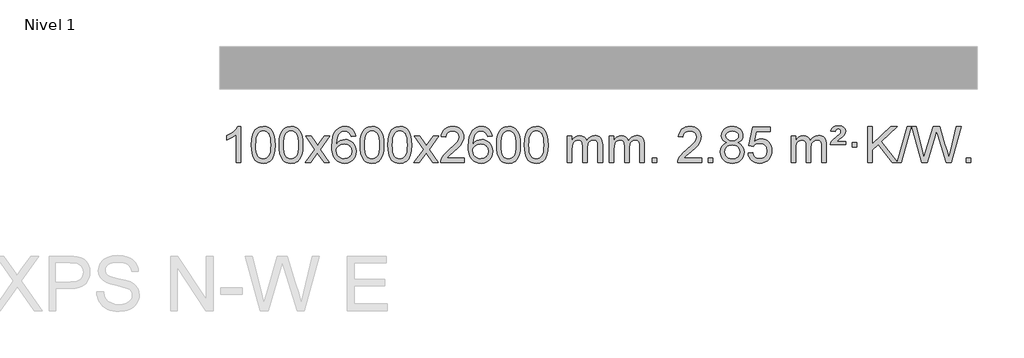
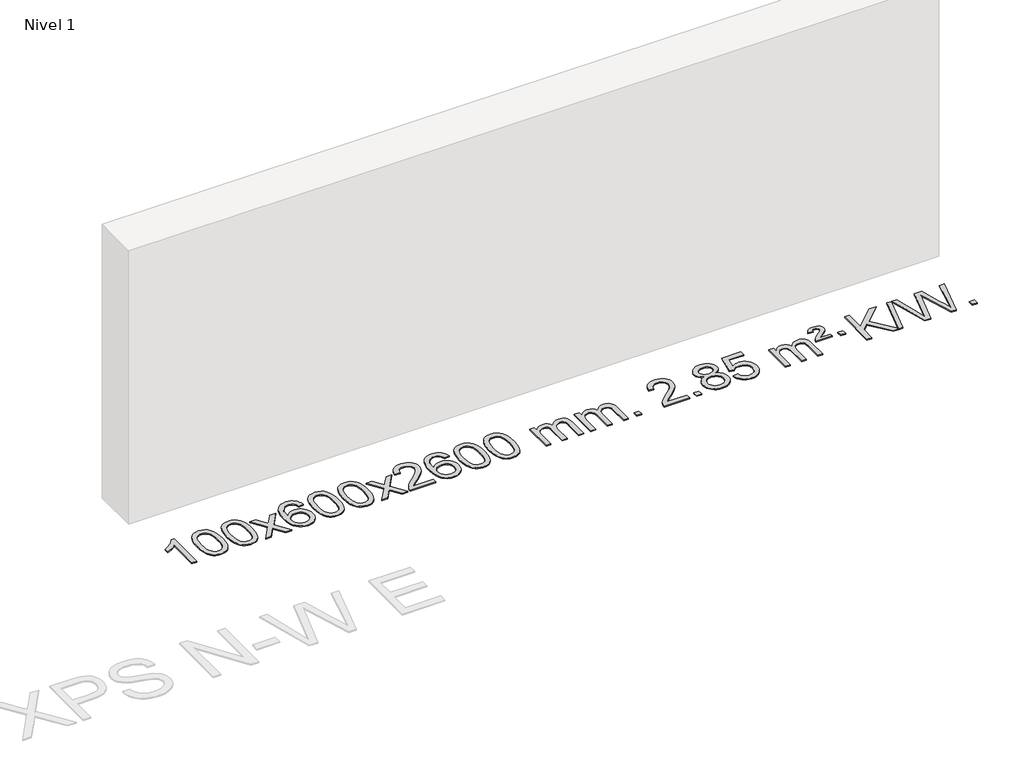
# One storey, part 4 of 8: 1 proxy.
"""IFC4 building model written with IfcOpenShell, lengths in millimetres."""

from ifc_helpers import new_model, si_unit, origin, origin_with_axes, place, context, project, spatial, polyline, outline, extrude, element, save

model = new_model("IFC4")

# Units and contexts
model_context = context("Model", 3, world=origin())
ifc_project = project(units=[si_unit("LENGTHUNIT", "METRE", prefix="MILLI")], contexts=[model_context])

# Site, building, storey
site = spatial("IfcSite", under=ifc_project)
building = spatial("IfcBuilding", under=site)
storey = spatial("IfcBuildingStorey", under=building, Name="Nivel 1", Elevation=0.0)

# Proxy
placement = place(None, origin())
element("IfcBuildingElementProxy", 1, Name="Texto de modelo 1", ObjectType="Texto de modelo 1", at=placement, inside=storey, context=model_context, shape_type="SweptSolid", body=[
    extrude(outline(polyline([(-13245.4422492, -419.6168569), (-13295.6704043, -419.6168569), (-13295.6704043, -106.4757026), (-13316.639678, -123.4350626), (-13343.249809, -140.3698971), (-13396.1267145, -165.7292293), (-13396.1267145, -118.2479264), (-13356.6775018, -96.7881434), (-13322.5012645, -71.2571329), (-13295.5600397, -44.1074417), (-13277.8158648, -17.7916163), (-13245.4422492, -17.7916163), (-13245.4422492, -419.6168569)])), origin_with_axes(), (0.0, 0.0, 1.0), 10.0),
    extrude(outline(polyline([(-13126.1503809, -221.9415981), (-13122.4592982, -157.6235626), (-13111.3860502, -106.3285498), (-13093.0410014, -67.2717446), (-13081.1829384, -52.0383643), (-13067.5345164, -39.6683323), (-13052.0497501, -30.097269), (-13034.6826542, -23.2607953), (-12994.3014739, -17.7916163), (-12963.3503353, -21.0289778), (-12935.6365584, -30.7410625), (-12912.4599927, -46.5477256), (-12895.120488, -68.0688223), (-12882.0238889, -95.1204117), (-12871.5760403, -127.5185527), (-12864.7334352, -168.6600225), (-12862.4525668, -221.9415981), (-12866.1068613, -285.8917516), (-12877.0697447, -337.0641372), (-12895.304429, -376.1577305), (-12907.1349008, -391.437096), (-12920.7741258, -403.8715075), (-12936.2772862, -413.5069501), (-12953.6995643, -420.3894091), (-12994.3014739, -425.8953763), (-13021.9661999, -423.5041433), (-13046.4916662, -416.3304444), (-13067.8778729, -404.3742795), (-13086.1248199, -387.6356488), (-13103.6360028, -357.3773547), (-13116.1439907, -319.6755815), (-13123.6487834, -274.5303293), (-13126.1503809, -221.9415981)]), holes=[polyline([(-13075.9222259, -221.8434963), (-13074.4506979, -265.5080234), (-13070.0361139, -300.8522861), (-13062.678474, -327.8762843), (-13052.3777782, -346.5800181), (-13039.9188413, -359.3056694), (-13026.0864782, -368.3954204), (-13010.8806891, -373.849271), (-12994.3014739, -375.6672212), (-12977.7222586, -373.8431396), (-12962.5164695, -368.3708949), (-12948.6841065, -359.2504871), (-12936.2251696, -346.4819162), (-12925.9244737, -327.7475256), (-12918.5668338, -300.7296588), (-12914.1522498, -265.4283156), (-12912.6807219, -221.8434963), (-12914.1031989, -179.3347317), (-12918.3706301, -144.6128027), (-12925.4830153, -117.6777093), (-12935.4403546, -98.5294515), (-12947.6908251, -85.1814664), (-12961.6826036, -75.6471914), (-12977.4156903, -69.9266264), (-12994.8900851, -68.0197713), (-13011.3834612, -69.6997658), (-13026.3317329, -74.7397491), (-13039.7349003, -83.1397213), (-13051.5929632, -94.8996825), (-13062.2370156, -115.7463289), (-13069.8399102, -143.8525133), (-13074.4016469, -179.2182358), (-13075.9222259, -221.8434963)])]), origin_with_axes(), (0.0, 0.0, 1.0), 10.0),
    extrude(outline(polyline([(-12818.5029311, -221.9415981), (-12814.8118484, -157.6235626), (-12803.7386004, -106.3285498), (-12785.3935515, -67.2717446), (-12773.5354886, -52.0383643), (-12759.8870665, -39.6683323), (-12744.4023002, -30.097269), (-12727.0352044, -23.2607953), (-12686.654024, -17.7916163), (-12655.7028855, -21.0289778), (-12627.9891085, -30.7410625), (-12604.8125428, -46.5477256), (-12587.4730381, -68.0688223), (-12574.3764391, -95.1204117), (-12563.9285904, -127.5185527), (-12557.0859853, -168.6600225), (-12554.805117, -221.9415981), (-12558.4594114, -285.8917516), (-12569.4222949, -337.0641372), (-12587.6569791, -376.1577305), (-12599.487451, -391.437096), (-12613.1266759, -403.8715075), (-12628.6298363, -413.5069501), (-12646.0521145, -420.3894091), (-12686.654024, -425.8953763), (-12714.3187501, -423.5041433), (-12738.8442164, -416.3304444), (-12760.2304231, -404.3742795), (-12778.47737, -387.6356488), (-12795.988553, -357.3773547), (-12808.4965408, -319.6755815), (-12816.0013335, -274.5303293), (-12818.5029311, -221.9415981)]), holes=[polyline([(-12768.274776, -221.8434963), (-12766.803248, -265.5080234), (-12762.3886641, -300.8522861), (-12755.0310242, -327.8762843), (-12744.7303283, -346.5800181), (-12732.2713914, -359.3056694), (-12718.4390284, -368.3954204), (-12703.2332393, -373.849271), (-12686.654024, -375.6672212), (-12670.0748088, -373.8431396), (-12654.8690196, -368.3708949), (-12641.0366566, -359.2504871), (-12628.5777197, -346.4819162), (-12618.2770239, -327.7475256), (-12610.919384, -300.7296588), (-12606.5048, -265.4283156), (-12605.033272, -221.8434963), (-12606.4557491, -179.3347317), (-12610.7231802, -144.6128027), (-12617.8355655, -117.6777093), (-12627.7929048, -98.5294515), (-12640.0433752, -85.1814664), (-12654.0351538, -75.6471914), (-12669.7682404, -69.9266264), (-12687.2426352, -68.0197713), (-12703.7360113, -69.6997658), (-12718.6842831, -74.7397491), (-12732.0874504, -83.1397213), (-12743.9455134, -94.8996825), (-12754.5895658, -115.7463289), (-12762.1924604, -143.8525133), (-12766.7541971, -179.2182358), (-12768.274776, -221.8434963)])]), origin_with_axes(), (0.0, 0.0, 1.0), 10.0),
    extrude(outline(polyline([(-12529.6910394, -419.6168569), (-12422.3675987, -271.2868364), (-12523.41252, -124.5264458), (-12462.981771, -124.5264458), (-12414.2251439, -195.1597889), (-12391.4655111, -228.5144231), (-12371.7470362, -201.2421045), (-12316.2213804, -124.5264458), (-12255.7906313, -124.5264458), (-12361.9368496, -271.2868364), (-12259.7147059, -419.6168569), (-12320.145455, -419.6168569), (-12381.6553246, -330.4422612), (-12392.9370391, -314.1573516), (-12469.2602903, -419.6168569), (-12529.6910394, -419.6168569)])), origin_with_axes(), (0.0, 0.0, 1.0), 10.0),
    extrude(outline(polyline([(-11970.9028142, -124.5264458), (-12021.1309693, -130.8049652), (-12029.2243732, -105.9116168), (-12040.1627312, -88.9154687), (-12062.9468894, -73.2436957), (-12090.4889881, -68.0197713), (-12113.8372321, -71.0609292), (-12135.8120499, -80.1844027), (-12154.6843963, -99.4001055), (-12170.0986519, -125.850821), (-12180.5097123, -163.2644199), (-12184.3724733, -215.3687731), (-12164.2248027, -191.8611137), (-12140.0794811, -175.2941611), (-12113.2854091, -165.4717119), (-12085.1914874, -162.1975621), (-12061.0584285, -164.4355109), (-12038.7893051, -171.1493573), (-12018.3841171, -182.3391013), (-11999.8428645, -198.004743), (-11984.4347403, -217.2143145), (-11973.4289372, -239.0358482), (-11966.8254554, -263.469344), (-11964.6242948, -290.514802), (-11968.7690986, -326.4813984), (-11981.2035101, -359.8237699), (-12000.8974596, -388.1016326), (-12026.8208775, -408.8747026), (-12057.7965415, -421.6402078), (-12092.6472291, -425.8953763), (-12122.5897579, -423.0749476), (-12149.6321502, -414.6136617), (-12173.7744061, -400.5115186), (-12195.0165257, -380.7685182), (-12212.3345706, -354.5507947), (-12224.7046027, -321.0244822), (-12232.1266219, -280.1895807), (-12234.6006284, -232.0460903), (-12231.8537761, -178.0716702), (-12223.6132194, -132.006713), (-12209.8789583, -93.8512188), (-12190.6509927, -63.6051874), (-12169.8104776, -43.56175), (-12145.6467619, -29.2450091), (-12118.1598455, -20.6549645), (-12087.3497284, -17.7916163), (-12064.2160823, -19.5635812), (-12043.2774654, -24.879476), (-12024.5338777, -33.7393008), (-12007.9853193, -46.1430554), (-11994.0793799, -61.6738069), (-11983.2636492, -79.9146225), (-11975.5381274, -100.8655021), (-11970.9028142, -124.5264458)]), holes=[polyline([(-12184.3724733, -289.7299871), (-12181.4662055, -311.9868478), (-12172.7474022, -333.2381644), (-12159.2093448, -351.5096368), (-12141.8453146, -364.8269651), (-12120.8883036, -372.9571571), (-12096.5713038, -375.6672212), (-12063.425136, -370.0508894), (-12049.5099995, -363.0304746), (-12037.366828, -353.201894), (-12027.5167876, -340.9636863), (-12020.4810444, -326.7143904), (-12014.8524499, -292.1825337), (-12020.407468, -259.036366), (-12027.3512407, -245.4155351), (-12037.0725224, -233.7628729), (-12049.2524821, -224.4278673), (-12063.5722888, -217.7600061), (-12098.6314429, -212.4257172), (-12131.7285598, -217.7600061), (-12159.4055485, -233.7628729), (-12170.3285781, -245.2622509), (-12178.1307421, -258.4232293), (-12182.8120405, -273.245808), (-12184.3724733, -289.7299871)])]), origin_with_axes(), (0.0, 0.0, 1.0), 10.0),
    extrude(outline(polyline([(-11920.6746591, -221.9415981), (-11916.9835765, -157.6235626), (-11905.9103284, -106.3285498), (-11887.5652796, -67.2717446), (-11875.7072166, -52.0383643), (-11862.0587946, -39.6683323), (-11846.5740283, -30.097269), (-11829.2069324, -23.2607953), (-11788.8257521, -17.7916163), (-11757.8746135, -21.0289778), (-11730.1608366, -30.7410625), (-11706.9842709, -46.5477256), (-11689.6447662, -68.0688223), (-11676.5481671, -95.1204117), (-11666.1003185, -127.5185527), (-11659.2577134, -168.6600225), (-11656.976845, -221.9415981), (-11660.6311395, -285.8917516), (-11671.5940229, -337.0641372), (-11689.8287072, -376.1577305), (-11701.659179, -391.437096), (-11715.298404, -403.8715075), (-11730.8015644, -413.5069501), (-11748.2238425, -420.3894091), (-11788.8257521, -425.8953763), (-11816.4904781, -423.5041433), (-11841.0159444, -416.3304444), (-11862.4021511, -404.3742795), (-11880.6490981, -387.6356488), (-11898.160281, -357.3773547), (-11910.6682689, -319.6755815), (-11918.1730616, -274.5303293), (-11920.6746591, -221.9415981)]), holes=[polyline([(-11870.4465041, -221.8434963), (-11868.9749761, -265.5080234), (-11864.5603921, -300.8522861), (-11857.2027522, -327.8762843), (-11846.9020564, -346.5800181), (-11834.4431195, -359.3056694), (-11820.6107564, -368.3954204), (-11805.4049673, -373.849271), (-11788.8257521, -375.6672212), (-11772.2465368, -373.8431396), (-11757.0407477, -368.3708949), (-11743.2083847, -359.2504871), (-11730.7494478, -346.4819162), (-11720.4487519, -327.7475256), (-11713.091112, -300.7296588), (-11708.676528, -265.4283156), (-11707.2050001, -221.8434963), (-11708.6274771, -179.3347317), (-11712.8949083, -144.6128027), (-11720.0072935, -117.6777093), (-11729.9646328, -98.5294515), (-11742.2151033, -85.1814664), (-11756.2068818, -75.6471914), (-11771.9399685, -69.9266264), (-11789.4143633, -68.0197713), (-11805.9077394, -69.6997658), (-11820.8560111, -74.7397491), (-11834.2591785, -83.1397213), (-11846.1172414, -94.8996825), (-11856.7612938, -115.7463289), (-11864.3641884, -143.8525133), (-11868.9259251, -179.2182358), (-11870.4465041, -221.8434963)])]), origin_with_axes(), (0.0, 0.0, 1.0), 10.0),
    extrude(outline(polyline([(-11613.0272093, -221.9415981), (-11609.3361266, -157.6235626), (-11598.2628786, -106.3285498), (-11579.9178297, -67.2717446), (-11568.0597668, -52.0383643), (-11554.4113447, -39.6683323), (-11538.9265784, -30.097269), (-11521.5594826, -23.2607953), (-11481.1783022, -17.7916163), (-11450.2271637, -21.0289778), (-11422.5133867, -30.7410625), (-11399.336821, -46.5477256), (-11381.9973163, -68.0688223), (-11368.9007173, -95.1204117), (-11358.4528686, -127.5185527), (-11351.6102635, -168.6600225), (-11349.3293952, -221.9415981), (-11352.9836896, -285.8917516), (-11363.9465731, -337.0641372), (-11382.1812573, -376.1577305), (-11394.0117292, -391.437096), (-11407.6509541, -403.8715075), (-11423.1541145, -413.5069501), (-11440.5763927, -420.3894091), (-11481.1783022, -425.8953763), (-11508.8430283, -423.5041433), (-11533.3684946, -416.3304444), (-11554.7547013, -404.3742795), (-11573.0016482, -387.6356488), (-11590.5128312, -357.3773547), (-11603.020819, -319.6755815), (-11610.5256117, -274.5303293), (-11613.0272093, -221.9415981)]), holes=[polyline([(-11562.7990542, -221.8434963), (-11561.3275262, -265.5080234), (-11556.9129423, -300.8522861), (-11549.5553024, -327.8762843), (-11539.2546065, -346.5800181), (-11526.7956696, -359.3056694), (-11512.9633066, -368.3954204), (-11497.7575175, -373.849271), (-11481.1783022, -375.6672212), (-11464.599087, -373.8431396), (-11449.3932978, -368.3708949), (-11435.5609348, -359.2504871), (-11423.1019979, -346.4819162), (-11412.8013021, -327.7475256), (-11405.4436622, -300.7296588), (-11401.0290782, -265.4283156), (-11399.5575502, -221.8434963), (-11400.9800273, -179.3347317), (-11405.2474584, -144.6128027), (-11412.3598437, -117.6777093), (-11422.317183, -98.5294515), (-11434.5676534, -85.1814664), (-11448.559432, -75.6471914), (-11464.2925187, -69.9266264), (-11481.7669134, -68.0197713), (-11498.2602895, -69.6997658), (-11513.2085613, -74.7397491), (-11526.6117286, -83.1397213), (-11538.4697916, -94.8996825), (-11549.113844, -115.7463289), (-11556.7167386, -143.8525133), (-11561.2784753, -179.2182358), (-11562.7990542, -221.8434963)])]), origin_with_axes(), (0.0, 0.0, 1.0), 10.0),
    extrude(outline(polyline([(-11324.2153176, -419.6168569), (-11216.8918769, -271.2868364), (-11317.9367982, -124.5264458), (-11257.5060492, -124.5264458), (-11208.7494221, -195.1597889), (-11185.9897893, -228.5144231), (-11166.2713144, -201.2421045), (-11110.7456586, -124.5264458), (-11050.3149095, -124.5264458), (-11156.4611278, -271.2868364), (-11054.2389841, -419.6168569), (-11114.6697332, -419.6168569), (-11176.1796028, -330.4422612), (-11187.4613173, -314.1573516), (-11263.7845685, -419.6168569), (-11324.2153176, -419.6168569)])), origin_with_axes(), (0.0, 0.0, 1.0), 10.0),
    extrude(outline(polyline([(-10765.4270924, -369.3887018), (-10765.4270924, -419.6168569), (-11029.1249066, -419.6168569), (-11028.0212606, -401.9339956), (-11023.729304, -384.9868984), (-11011.3439435, -357.9230463), (-10993.2196238, -331.6685346), (-10967.0019003, -304.1877495), (-10930.3363281, -273.4450775), (-10876.1350475, -225.301587), (-10843.6142791, -189.7641863), (-10827.3538949, -160.9222379), (-10821.9337669, -132.8651044), (-10827.0473266, -107.7142386), (-10842.3880058, -86.8062786), (-10865.9692417, -72.7163982), (-10895.8044715, -68.0197713), (-10927.1357548, -72.6060336), (-10951.4772801, -86.3648202), (-10967.1858413, -108.2170107), (-10972.6182321, -137.0834846), (-11022.8463872, -130.8049652), (-11018.5268394, -104.8754159), (-11010.6694931, -82.2200164), (-10999.2743483, -62.8387666), (-10984.341405, -46.7316666), (-10966.2140197, -34.0703946), (-10945.2355489, -25.0266288), (-10921.4059927, -19.6003694), (-10894.725351, -17.7916163), (-10867.805586, -19.8027045), (-10843.8472711, -25.8359692), (-10822.8504062, -35.8914104), (-10804.8149914, -49.9690281), (-10790.3296378, -67.02649), (-10779.9829567, -86.0214636), (-10773.774948, -106.9539492), (-10771.7056118, -129.8239465), (-10773.9374292, -153.8466408), (-10780.6328815, -177.4524022), (-10792.51547, -201.4628337), (-10810.3086958, -226.6995386), (-10838.6723977, -256.829074), (-10882.2664141, -295.5179972), (-10940.0484128, -343.8331659), (-10962.7099437, -369.3887018), (-10765.4270924, -369.3887018)])), origin_with_axes(), (0.0, 0.0, 1.0), 10.0),
    extrude(outline(polyline([(-10457.7796426, -124.5264458), (-10508.0077977, -130.8049652), (-10516.1012016, -105.9116168), (-10527.0395595, -88.9154687), (-10549.8237178, -73.2436957), (-10577.3658165, -68.0197713), (-10600.7140604, -71.0609292), (-10622.6888783, -80.1844027), (-10641.5612246, -99.4001055), (-10656.9754802, -125.850821), (-10667.3865407, -163.2644199), (-10671.2493017, -215.3687731), (-10651.101631, -191.8611137), (-10626.9563094, -175.2941611), (-10600.1622374, -165.4717119), (-10572.0683158, -162.1975621), (-10547.9352569, -164.4355109), (-10525.6661334, -171.1493573), (-10505.2609454, -182.3391013), (-10486.7196929, -198.004743), (-10471.3115686, -217.2143145), (-10460.3057656, -239.0358482), (-10453.7022838, -263.469344), (-10451.5011232, -290.514802), (-10455.645927, -326.4813984), (-10468.0803384, -359.8237699), (-10487.7742879, -388.1016326), (-10513.6977058, -408.8747026), (-10544.6733698, -421.6402078), (-10579.5240575, -425.8953763), (-10609.4665862, -423.0749476), (-10636.5089786, -414.6136617), (-10660.6512345, -400.5115186), (-10681.893354, -380.7685182), (-10699.211399, -354.5507947), (-10711.5814311, -321.0244822), (-10719.0034503, -280.1895807), (-10721.4774567, -232.0460903), (-10718.7306045, -178.0716702), (-10710.4900478, -132.006713), (-10696.7557866, -93.8512188), (-10677.527821, -63.6051874), (-10656.687306, -43.56175), (-10632.5235903, -29.2450091), (-10605.0366739, -20.6549645), (-10574.2265568, -17.7916163), (-10551.0929107, -19.5635812), (-10530.1542938, -24.879476), (-10511.4107061, -33.7393008), (-10494.8621477, -46.1430554), (-10480.9562083, -61.6738069), (-10470.1404776, -79.9146225), (-10462.4149557, -100.8655021), (-10457.7796426, -124.5264458)]), holes=[polyline([(-10671.2493017, -289.7299871), (-10668.3430339, -311.9868478), (-10659.6242306, -333.2381644), (-10646.0861732, -351.5096368), (-10628.722143, -364.8269651), (-10607.765132, -372.9571571), (-10583.4481321, -375.6672212), (-10550.3019644, -370.0508894), (-10536.3868279, -363.0304746), (-10524.2436564, -353.201894), (-10514.393616, -340.9636863), (-10507.3578728, -326.7143904), (-10501.7292783, -292.1825337), (-10507.2842964, -259.036366), (-10514.2280691, -245.4155351), (-10523.9493508, -233.7628729), (-10536.1293105, -224.4278673), (-10550.4491172, -217.7600061), (-10585.5082713, -212.4257172), (-10618.6053881, -217.7600061), (-10646.2823769, -233.7628729), (-10657.2054065, -245.2622509), (-10665.0075705, -258.4232293), (-10669.6888689, -273.245808), (-10671.2493017, -289.7299871)])]), origin_with_axes(), (0.0, 0.0, 1.0), 10.0),
    extrude(outline(polyline([(-10407.5514875, -221.9415981), (-10403.8604048, -157.6235626), (-10392.7871568, -106.3285498), (-10374.4421079, -67.2717446), (-10362.584045, -52.0383643), (-10348.9356229, -39.6683323), (-10333.4508566, -30.097269), (-10316.0837608, -23.2607953), (-10275.7025804, -17.7916163), (-10244.7514419, -21.0289778), (-10217.0376649, -30.7410625), (-10193.8610992, -46.5477256), (-10176.5215945, -68.0688223), (-10163.4249955, -95.1204117), (-10152.9771468, -127.5185527), (-10146.1345417, -168.6600225), (-10143.8536734, -221.9415981), (-10147.5079679, -285.8917516), (-10158.4708513, -337.0641372), (-10176.7055355, -376.1577305), (-10188.5360074, -391.437096), (-10202.1752323, -403.8715075), (-10217.6783927, -413.5069501), (-10235.1006709, -420.3894091), (-10275.7025804, -425.8953763), (-10303.3673065, -423.5041433), (-10327.8927728, -416.3304444), (-10349.2789795, -404.3742795), (-10367.5259264, -387.6356488), (-10385.0371094, -357.3773547), (-10397.5450972, -319.6755815), (-10405.0498899, -274.5303293), (-10407.5514875, -221.9415981)]), holes=[polyline([(-10357.3233324, -221.8434963), (-10355.8518045, -265.5080234), (-10351.4372205, -300.8522861), (-10344.0795806, -327.8762843), (-10333.7788847, -346.5800181), (-10321.3199478, -359.3056694), (-10307.4875848, -368.3954204), (-10292.2817957, -373.849271), (-10275.7025804, -375.6672212), (-10259.1233652, -373.8431396), (-10243.9175761, -368.3708949), (-10230.085213, -359.2504871), (-10217.6262761, -346.4819162), (-10207.3255803, -327.7475256), (-10199.9679404, -300.7296588), (-10195.5533564, -265.4283156), (-10194.0818284, -221.8434963), (-10195.5043055, -179.3347317), (-10199.7717366, -144.6128027), (-10206.8841219, -117.6777093), (-10216.8414612, -98.5294515), (-10229.0919316, -85.1814664), (-10243.0837102, -75.6471914), (-10258.8167969, -69.9266264), (-10276.2911916, -68.0197713), (-10292.7845677, -69.6997658), (-10307.7328395, -74.7397491), (-10321.1360068, -83.1397213), (-10332.9940698, -94.8996825), (-10343.6381222, -115.7463289), (-10351.2410168, -143.8525133), (-10355.8027535, -179.2182358), (-10357.3233324, -221.8434963)])]), origin_with_axes(), (0.0, 0.0, 1.0), 10.0),
    extrude(outline(polyline([(-10099.9040377, -221.9415981), (-10096.212955, -157.6235626), (-10085.1397069, -106.3285498), (-10066.7946581, -67.2717446), (-10054.9365951, -52.0383643), (-10041.2881731, -39.6683323), (-10025.8034068, -30.097269), (-10008.4363109, -23.2607953), (-9968.0551306, -17.7916163), (-9937.1039921, -21.0289778), (-9909.3902151, -30.7410625), (-9886.2136494, -46.5477256), (-9868.8741447, -68.0688223), (-9855.7775457, -95.1204117), (-9845.329697, -127.5185527), (-9838.4870919, -168.6600225), (-9836.2062235, -221.9415981), (-9839.860518, -285.8917516), (-9850.8234015, -337.0641372), (-9869.0580857, -376.1577305), (-9880.8885575, -391.437096), (-9894.5277825, -403.8715075), (-9910.0309429, -413.5069501), (-9927.4532211, -420.3894091), (-9968.0551306, -425.8953763), (-9995.7198566, -423.5041433), (-10020.245323, -416.3304444), (-10041.6315296, -404.3742795), (-10059.8784766, -387.6356488), (-10077.3896596, -357.3773547), (-10089.8976474, -319.6755815), (-10097.4024401, -274.5303293), (-10099.9040377, -221.9415981)]), holes=[polyline([(-10049.6758826, -221.8434963), (-10048.2043546, -265.5080234), (-10043.7897707, -300.8522861), (-10036.4321308, -327.8762843), (-10026.1314349, -346.5800181), (-10013.672498, -359.3056694), (-9999.840135, -368.3954204), (-9984.6343459, -373.849271), (-9968.0551306, -375.6672212), (-9951.4759154, -373.8431396), (-9936.2701262, -368.3708949), (-9922.4377632, -359.2504871), (-9909.9788263, -346.4819162), (-9899.6781304, -327.7475256), (-9892.3204905, -300.7296588), (-9887.9059066, -265.4283156), (-9886.4343786, -221.8434963), (-9887.8568557, -179.3347317), (-9892.1242868, -144.6128027), (-9899.236672, -117.6777093), (-9909.1940114, -98.5294515), (-9921.4444818, -85.1814664), (-9935.4362604, -75.6471914), (-9951.169347, -69.9266264), (-9968.6437418, -68.0197713), (-9985.1371179, -69.6997658), (-10000.0853897, -74.7397491), (-10013.488557, -83.1397213), (-10025.34662, -94.8996825), (-10035.9906724, -115.7463289), (-10043.5935669, -143.8525133), (-10048.1553037, -179.2182358), (-10049.6758826, -221.8434963)])]), origin_with_axes(), (0.0, 0.0, 1.0), 10.0),
    extrude(outline(polyline([(-9622.7365645, -419.6168569), (-9622.7365645, -124.5264458), (-9572.5084094, -124.5264458), (-9572.5084094, -173.0868692), (-9557.4007221, -150.7809575), (-9537.9765528, -133.3065628), (-9514.8980889, -122.0125855), (-9488.8275182, -118.2479264), (-9460.8930121, -122.0861619), (-9438.5012613, -133.6008684), (-9421.7748932, -152.0317563), (-9410.8365352, -176.6185363), (-9392.5282746, -151.0813945), (-9371.64484, -132.8405789), (-9348.1862315, -121.8960895), (-9322.1524489, -118.2479264), (-9302.0446322, -119.7654397), (-9284.3954935, -124.3179793), (-9269.2050328, -131.9055455), (-9256.4732501, -142.5281381), (-9246.4086118, -156.3083845), (-9239.2195845, -173.368912), (-9234.9061681, -193.7097207), (-9233.4683626, -217.3308105), (-9233.4683626, -419.6168569), (-9283.6965177, -419.6168569), (-9283.6965177, -238.9132208), (-9284.8614774, -213.860457), (-9288.3563563, -196.9746734), (-9294.9046558, -185.410916), (-9305.2298772, -176.3242307), (-9318.5104172, -170.4381188), (-9333.9246728, -168.4760815), (-9361.1356777, -173.5038021), (-9383.318962, -188.5869639), (-9391.924335, -200.1568526), (-9398.07103, -214.7556365), (-9402.988386, -253.0398895), (-9402.988386, -419.6168569), (-9453.2165411, -419.6168569), (-9453.2165411, -233.3214145), (-9456.1228088, -204.9209245), (-9464.8416121, -184.6628893), (-9480.1822913, -172.5227834), (-9502.9541868, -168.4760815), (-9522.3047798, -171.1738828), (-9540.1347938, -179.2672867), (-9554.8500736, -192.5600894), (-9564.8564639, -210.8560873), (-9570.595423, -236.239945), (-9572.5084094, -270.7963271), (-9572.5084094, -419.6168569), (-9622.7365645, -419.6168569)])), origin_with_axes(), (0.0, 0.0, 1.0), 10.0),
    extrude(outline(polyline([(-9158.12613, -419.6168569), (-9158.12613, -124.5264458), (-9107.8979749, -124.5264458), (-9107.8979749, -173.0868692), (-9092.7902877, -150.7809575), (-9073.3661183, -133.3065628), (-9050.2876545, -122.0125855), (-9024.2170838, -118.2479264), (-8996.2825776, -122.0861619), (-8973.8908268, -133.6008684), (-8957.1644588, -152.0317563), (-8946.2261008, -176.6185363), (-8927.9178402, -151.0813945), (-8907.0344056, -132.8405789), (-8883.575797, -121.8960895), (-8857.5420145, -118.2479264), (-8837.4341978, -119.7654397), (-8819.7850591, -124.3179793), (-8804.5945983, -131.9055455), (-8791.8628156, -142.5281381), (-8781.7981774, -156.3083845), (-8774.6091501, -173.368912), (-8770.2957337, -193.7097207), (-8768.8579282, -217.3308105), (-8768.8579282, -419.6168569), (-8819.0860833, -419.6168569), (-8819.0860833, -238.9132208), (-8820.2510429, -213.860457), (-8823.7459219, -196.9746734), (-8830.2942214, -185.410916), (-8840.6194427, -176.3242307), (-8853.8999827, -170.4381188), (-8869.3142383, -168.4760815), (-8896.5252433, -173.5038021), (-8918.7085276, -188.5869639), (-8927.3139006, -200.1568526), (-8933.4605956, -214.7556365), (-8938.3779516, -253.0398895), (-8938.3779516, -419.6168569), (-8988.6061066, -419.6168569), (-8988.6061066, -233.3214145), (-8991.5123744, -204.9209245), (-9000.2311777, -184.6628893), (-9015.5718569, -172.5227834), (-9038.3437524, -168.4760815), (-9057.6943453, -171.1738828), (-9075.5243594, -179.2672867), (-9090.2396392, -192.5600894), (-9100.2460294, -210.8560873), (-9105.9849886, -236.239945), (-9107.8979749, -270.7963271), (-9107.8979749, -419.6168569), (-9158.12613, -419.6168569)])), origin_with_axes(), (0.0, 0.0, 1.0), 10.0),
    extrude(outline(polyline([(-8680.9586568, -419.6168569), (-8680.9586568, -369.3887018), (-8630.7305017, -369.3887018), (-8630.7305017, -419.6168569), (-8680.9586568, -419.6168569)])), origin_with_axes(), (0.0, 0.0, 1.0), 10.0),
    extrude(outline(polyline([(-8134.7274704, -369.3887018), (-8134.7274704, -419.6168569), (-8398.4252845, -419.6168569), (-8397.3216385, -401.9339956), (-8393.0296819, -384.9868984), (-8380.6443214, -357.9230463), (-8362.5200018, -331.6685346), (-8336.3022783, -304.1877495), (-8299.6367061, -273.4450775), (-8245.4354255, -225.301587), (-8212.9146571, -189.7641863), (-8196.6542729, -160.9222379), (-8191.2341448, -132.8651044), (-8196.3477046, -107.7142386), (-8211.6883838, -86.8062786), (-8235.2696197, -72.7163982), (-8265.1048495, -68.0197713), (-8296.4361327, -72.6060336), (-8320.7776581, -86.3648202), (-8336.4862193, -108.2170107), (-8341.9186101, -137.0834846), (-8392.1467651, -130.8049652), (-8387.8272174, -104.8754159), (-8379.9698711, -82.2200164), (-8368.5747263, -62.8387666), (-8353.641783, -46.7316666), (-8335.5143977, -34.0703946), (-8314.5359269, -25.0266288), (-8290.7063706, -19.6003694), (-8264.0257289, -17.7916163), (-8237.1059639, -19.8027045), (-8213.147649, -25.8359692), (-8192.1507841, -35.8914104), (-8174.1153693, -49.9690281), (-8159.6300158, -67.02649), (-8149.2833346, -86.0214636), (-8143.075326, -106.9539492), (-8141.0059898, -129.8239465), (-8143.2378072, -153.8466408), (-8149.9332595, -177.4524022), (-8161.815848, -201.4628337), (-8179.6090738, -226.6995386), (-8207.9727756, -256.829074), (-8251.566792, -295.5179972), (-8309.3487908, -343.8331659), (-8332.0103217, -369.3887018), (-8134.7274704, -369.3887018)])), origin_with_axes(), (0.0, 0.0, 1.0), 10.0),
    extrude(outline(polyline([(-8059.3852378, -419.6168569), (-8059.3852378, -369.3887018), (-8009.1570827, -369.3887018), (-8009.1570827, -419.6168569), (-8059.3852378, -419.6168569)])), origin_with_axes(), (0.0, 0.0, 1.0), 10.0),
    extrude(outline(polyline([(-7854.3523391, -198.2990486), (-7881.244513, -185.0552967), (-7900.1168593, -167.1026554), (-7911.2636838, -144.8090065), (-7914.9792919, -118.542232), (-7912.9559409, -98.0573363), (-7906.885888, -79.2769604), (-7896.7691332, -62.2011045), (-7882.6056763, -46.8297684), (-7865.0760993, -34.1255769), (-7844.8609836, -25.0511543), (-7821.9603294, -19.6065008), (-7796.3741367, -17.7916163), (-7770.6653166, -19.6494203), (-7747.5929841, -25.2228326), (-7727.1571393, -34.511853), (-7709.3577821, -47.5164815), (-7694.9368079, -63.1882545), (-7684.636112, -80.4787082), (-7678.4556945, -99.3878428), (-7676.3955553, -119.9156581), (-7680.0621125, -145.336304), (-7691.0617842, -167.2498082), (-7709.5171976, -185.0920849), (-7735.5509801, -198.2990486), (-7704.6366298, -214.228339), (-7682.1345144, -237.6869475), (-7668.412516, -267.5467028), (-7663.8385165, -302.6794333), (-7666.1071222, -327.7321972), (-7672.9129391, -350.7002964), (-7684.2559673, -371.583731), (-7700.1362067, -390.382501), (-7719.7197916, -405.9193839), (-7742.1728561, -417.0171574), (-7767.4954001, -423.6758215), (-7795.6874236, -425.8953763), (-7823.8794472, -423.6666245), (-7849.2019912, -416.9803692), (-7871.6550556, -405.8366105), (-7891.2386405, -390.2353482), (-7907.11888, -371.3047539), (-7918.4619081, -350.1729989), (-7925.2677251, -326.8400834), (-7927.5363307, -301.3060072), (-7922.7783902, -264.8121133), (-7908.5045688, -234.7929425), (-7885.4506304, -212.2785644), (-7854.3523391, -198.2990486)]), holes=[polyline([(-7864.7511368, -120.01376), (-7860.2997647, -141.9395269), (-7846.9456483, -159.4507099), (-7825.081195, -170.9286281), (-7795.0988124, -174.7546009), (-7765.8154056, -170.9531536), (-7744.2820462, -159.5488117), (-7731.0382943, -142.62624), (-7726.6237104, -122.2701029), (-7731.1854471, -101.1414136), (-7744.8706574, -83.6670189), (-7766.6983224, -71.9315832), (-7795.6874236, -68.0197713), (-7824.8604658, -71.8457441), (-7846.6513427, -83.3236623), (-7860.2261883, -100.1481323), (-7864.7511368, -120.01376)]), polyline([(-7877.3081756, -299.5401736), (-7875.2112482, -318.7558765), (-7868.9204661, -337.3584427), (-7857.3076578, -353.5820387), (-7839.2446518, -365.6608309), (-7817.6131905, -373.1656236), (-7795.2950162, -375.6672212), (-7761.1065161, -370.4065086), (-7747.2128394, -363.830618), (-7735.4528783, -354.6243711), (-7719.4132233, -330.7243041), (-7714.0666716, -301.1098035), (-7719.5849015, -270.9925308), (-7736.1395913, -246.5651663), (-7748.2183835, -237.1228618), (-7762.3818403, -230.3783586), (-7796.9627479, -224.982756), (-7830.6730014, -230.3047822), (-7844.4103282, -236.9573149), (-7856.0691218, -246.2708607), (-7871.9984122, -270.2322414), (-7877.3081756, -299.5401736)])]), origin_with_axes(), (0.0, 0.0, 1.0), 10.0),
    extrude(outline(polyline([(-7619.8888809, -312.8820273), (-7569.6607258, -306.603508), (-7560.4391504, -336.7575688), (-7544.3504445, -358.3522419), (-7521.4681844, -371.3384764), (-7491.8659465, -375.6672212), (-7472.7360828, -374.1619707), (-7455.8625619, -369.6462192), (-7441.245384, -362.1199667), (-7428.884549, -351.5832132), (-7419.0559683, -338.5571249), (-7412.0355536, -323.5628679), (-7406.4192218, -287.6698479), (-7411.6799343, -253.8737553), (-7418.255825, -239.9555532), (-7427.4620719, -228.0239138), (-7439.3293319, -218.4528505), (-7453.8882619, -211.6163768), (-7491.0811316, -206.1471978), (-7515.4471824, -208.3299643), (-7535.1779201, -214.8782638), (-7550.9355322, -224.9091796), (-7563.3822064, -237.5397947), (-7613.6103615, -231.2612753), (-7569.6607258, -24.0701357), (-7375.0266249, -24.0701357), (-7375.0266249, -74.2982907), (-7529.0465535, -74.2982907), (-7550.530862, -184.9571949), (-7532.8050812, -172.2530033), (-7514.6501048, -163.1785808), (-7496.0659326, -157.7339272), (-7477.0525649, -155.9190427), (-7452.5914779, -158.1692543), (-7430.123085, -164.9198889), (-7409.6473863, -176.1709466), (-7391.1643817, -191.9224273), (-7375.8635564, -211.2117066), (-7364.9343955, -233.0761598), (-7358.3768989, -257.5157871), (-7356.1910667, -284.5305882), (-7358.1592354, -310.552108), (-7364.0637414, -334.7587433), (-7373.9045848, -357.1504941), (-7387.6817655, -377.7273604), (-7408.5529374, -398.8008673), (-7432.9067254, -413.8533723), (-7460.7431297, -422.8848753), (-7492.0621503, -425.8953763), (-7517.9825025, -423.9609301), (-7541.3951258, -418.1575916), (-7562.3000202, -408.4853608), (-7580.6971856, -394.9442377), (-7596.0041423, -378.2086726), (-7607.6384104, -358.9531159), (-7615.5999899, -337.1775674), (-7619.8888809, -312.8820273)])), origin_with_axes(), (0.0, 0.0, 1.0), 10.0),
    extrude(outline(polyline([(-7142.7214076, -419.6168569), (-7142.7214076, -124.5264458), (-7092.4932526, -124.5264458), (-7092.4932526, -173.0868692), (-7077.3855653, -150.7809575), (-7057.961396, -133.3065628), (-7034.8829321, -122.0125855), (-7008.8123614, -118.2479264), (-6980.8778552, -122.0861619), (-6958.4861045, -133.6008684), (-6941.7597364, -152.0317563), (-6930.8213784, -176.6185363), (-6912.5131178, -151.0813945), (-6891.6296832, -132.8405789), (-6868.1710746, -121.8960895), (-6842.1372921, -118.2479264), (-6822.0294754, -119.7654397), (-6804.3803367, -124.3179793), (-6789.189876, -131.9055455), (-6776.4580932, -142.5281381), (-6766.393455, -156.3083845), (-6759.2044277, -173.368912), (-6754.8910113, -193.7097207), (-6753.4532058, -217.3308105), (-6753.4532058, -419.6168569), (-6803.6813609, -419.6168569), (-6803.6813609, -238.9132208), (-6804.8463205, -213.860457), (-6808.3411995, -196.9746734), (-6814.889499, -185.410916), (-6825.2147203, -176.3242307), (-6838.4952604, -170.4381188), (-6853.909516, -168.4760815), (-6881.1205209, -173.5038021), (-6903.3038052, -188.5869639), (-6911.9091782, -200.1568526), (-6918.0558732, -214.7556365), (-6922.9732292, -253.0398895), (-6922.9732292, -419.6168569), (-6973.2013843, -419.6168569), (-6973.2013843, -233.3214145), (-6976.107652, -204.9209245), (-6984.8264553, -184.6628893), (-7000.1671345, -172.5227834), (-7022.93903, -168.4760815), (-7042.289623, -171.1738828), (-7060.119637, -179.2672867), (-7074.8349168, -192.5600894), (-7084.8413071, -210.8560873), (-7090.5802662, -236.239945), (-7092.4932526, -270.7963271), (-7092.4932526, -419.6168569), (-7142.7214076, -419.6168569)])), origin_with_axes(), (0.0, 0.0, 1.0), 10.0),
    extrude(outline(polyline([(-6709.5035701, -218.7042366), (-6705.6775974, -202.8853108), (-6697.3389388, -187.0173341), (-6675.8301048, -161.878731), (-6643.8734222, -134.1404286), (-6599.7275828, -96.7636179), (-6592.5906721, -85.2366487), (-6590.2117018, -73.4153739), (-6592.1001627, -61.324319), (-6597.7655455, -51.538658), (-6607.1342736, -45.0639348), (-6620.1327708, -42.9056938), (-6632.5671822, -44.5243746), (-6641.4208756, -49.3804169), (-6647.8465477, -58.8472469), (-6652.9968957, -74.2982907), (-6703.2250507, -68.0197713), (-6692.3847946, -42.8075919), (-6675.7565284, -25.247358), (-6651.9913515, -14.9466622), (-6619.7403633, -11.5130969), (-6583.9577079, -15.645638), (-6559.2115124, -28.0432612), (-6544.7905382, -46.3760473), (-6539.9835467, -68.3140769), (-6544.0792996, -91.2208625), (-6556.3665583, -112.8523238), (-6576.8943736, -132.6689006), (-6613.3637421, -160.7260341), (-6638.9683289, -187.3116396), (-6539.9835467, -187.3116396), (-6539.9835467, -218.7042366), (-6709.5035701, -218.7042366)])), origin_with_axes(), (0.0, 0.0, 1.0), 10.0),
    extrude(outline(polyline([(-6464.6413141, -243.8183141), (-6464.6413141, -193.590159), (-6414.4131591, -193.590159), (-6414.4131591, -243.8183141), (-6464.6413141, -243.8183141)])), origin_with_axes(), (0.0, 0.0, 1.0), 10.0),
    extrude(outline(polyline([(-6023.7715311, -419.6168569), (-6177.2028486, -216.938403), (-6244.8931357, -281.4894304), (-6244.8931357, -419.6168569), (-6295.1212908, -419.6168569), (-6295.1212908, -17.7916163), (-6244.8931357, -17.7916163), (-6244.8931357, -214.4858564), (-6038.8792184, -17.7916163), (-5968.6382828, -17.7916163), (-6141.5918714, -182.9951576), (-5966.9382616, -413.5723371), (-5855.6249339, -17.7916163), (-5810.301872, -17.7916163), (-5923.315221, -419.6168569), (-5962.3597634, -419.6168569), (-5968.6382828, -419.6168569), (-6023.7715311, -419.6168569)])), origin_with_axes(), (0.0, 0.0, 1.0), 10.0),
    extrude(outline(polyline([(-5695.8169951, -419.6168569), (-5805.3967788, -17.7916163), (-5753.5989939, -17.7916163), (-5690.0289851, -281.8818379), (-5670.408612, -363.404488), (-5649.4148128, -291.299617), (-5569.7560981, -17.7916163), (-5495.1005786, -17.7916163), (-5437.220478, -216.0554862), (-5412.4252315, -289.6318852), (-5394.1537591, -363.404488), (-5375.1219972, -284.2362826), (-5310.9633773, -17.7916163), (-5259.1655923, -17.7916163), (-5368.8434778, -419.6168569), (-5422.5051982, -419.6168569), (-5518.84123, -109.6149623), (-5532.2811856, -66.3520396), (-5547.3888728, -118.4441302), (-5635.1900423, -419.6168569), (-5695.8169951, -419.6168569)])), origin_with_axes(), (0.0, 0.0, 1.0), 10.0),
    extrude(outline(polyline([(-5202.6589179, -419.6168569), (-5202.6589179, -369.3887018), (-5152.4307628, -369.3887018), (-5152.4307628, -419.6168569), (-5202.6589179, -419.6168569)])), origin_with_axes(), (0.0, 0.0, 1.0), 10.0),
])

save(model, "model.ifc")
